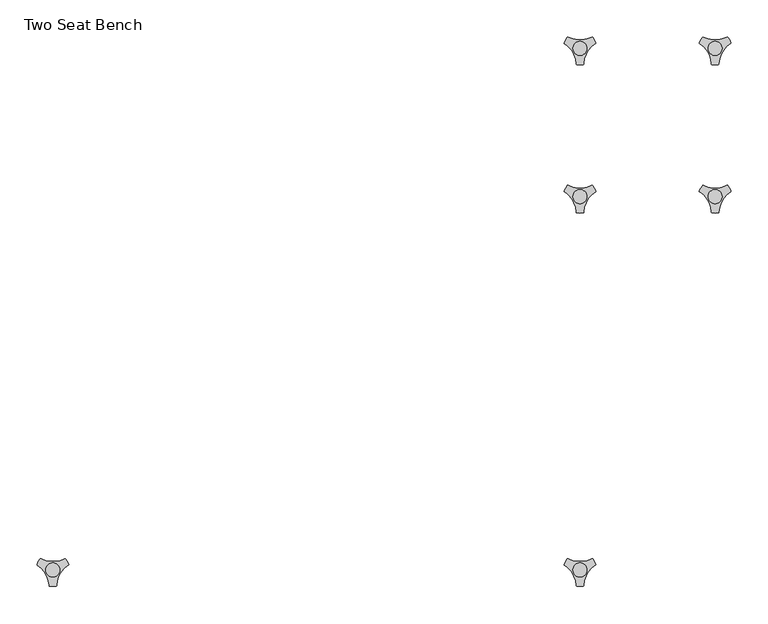
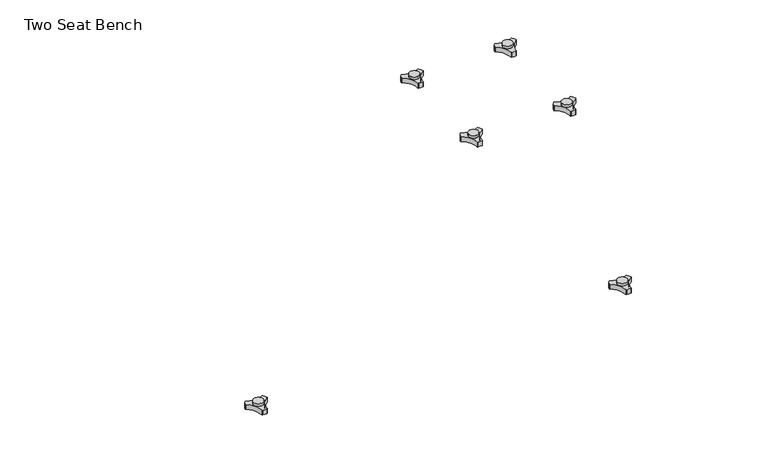
"""IFC4 building model written with IfcOpenShell, lengths in millimetres: furniture geometry, Two Seat Bench."""

from ifc_helpers import new_model, si_unit, frame, origin, place, context, project, spatial, polyline, circle_curve, source, transform, mapped, element, save
from ifc_brep_helpers import plane_surface, cylinder_surface, revolved_surface, advanced_brep


def two_seat_bench_e05f9d58(model_context):
    return source(origin(), model_context, "Body", "AdvancedBrep", [
        advanced_brep(
        [(373.838792, -130.2721038, 98.611642), (369.6162038, -137.585841, 98.611642), (370.0141527, -138.7518724, 98.611642), (385.8334234, -166.1516574, 98.611642), (386.6442569, -167.0792988, 98.611642), (395.0894355, -167.0792988, 98.611642), (395.8939637, -165.9895174, 98.611642), (411.9962168, -138.4877144, 98.611642), (412.1174938, -137.5858427, 98.611642), (407.8949039, -130.2721023, 98.611642), (406.6861204, -130.0337175, 98.611642), (375.047572, -130.0337175, 98.611642), (400.2397227, -145.1926245, 98.611642), (381.3347108, -145.1926245, 98.611642), (373.838792, -130.2721038, 88.6531552), (375.047572, -130.0337175, 88.6531552), (406.6861204, -130.0337175, 88.6531552), (407.8949039, -130.2721023, 88.6531552), (412.1174938, -137.5858427, 88.6531552), (411.9962168, -138.4877144, 88.6531552), (395.8939637, -165.9895174, 88.6531552), (395.0894355, -167.0792988, 88.6531552), (386.6442569, -167.0792988, 88.6531552), (385.8334234, -166.1516574, 88.6531552), (370.0141527, -138.7518724, 88.6531552), (369.6162038, -137.585841, 88.6531552), (381.3347108, -145.1926245, 103.6569541), (400.2397227, -145.1926245, 103.6569541)],
        [
            (0, 1, circle_curve(frame((392.09828, -145.690049, 98.611642), z_axis=(0.0, 0.0, 1.0), x_axis=(1.0, 0.0, 0.0)), 23.8981576)),
            (1, 2, circle_curve(frame((370.5437624, -137.920202, 98.611642), z_axis=(0.0, 0.0, 1.0), x_axis=(1.0, 0.0, 0.0)), 0.9859828)),
            (2, 3, circle_curve(frame((351.6187827, -167.6389644, 98.611642), z_axis=(0.0, 0.0, -1.0), x_axis=(1.0, 0.0, 0.0)), 34.246952)),
            (3, 4, circle_curve(frame((386.8184668, -166.1088376, 98.611642), z_axis=(0.0, 0.0, 1.0), x_axis=(1.0, 0.0, 0.0)), 0.9859736)),
            (4, 5, circle_curve(frame((390.8668462, -143.5567534, 98.611642), z_axis=(0.0, 0.0, 1.0), x_axis=(1.0, 0.0, 0.0)), 23.8985439)),
            (5, 6, circle_curve(frame((394.9152236, -166.1088262, 98.611642), z_axis=(0.0, 0.0, 1.0), x_axis=(1.0, 0.0, 0.0)), 0.9859852)),
            (6, 7, circle_curve(frame((430.1156373, -167.5614211, 98.611642), z_axis=(0.0, 0.0, -1.0), x_axis=(1.0, 0.0, 0.0)), 34.2577557)),
            (7, 8, circle_curve(frame((411.1899324, -137.9202011, 98.611642), z_axis=(0.0, 0.0, 1.0), x_axis=(1.0, 0.0, 0.0)), 0.9859847)),
            (8, 9, circle_curve(frame((389.6358034, -145.6898258, 98.611642), z_axis=(0.0, 0.0, 1.0), x_axis=(1.0, 0.0, 0.0)), 23.8977184)),
            (9, 10, circle_curve(frame((407.1415576, -130.9082171, 98.611642), z_axis=(0.0, 0.0, 1.0), x_axis=(1.0, 0.0, 0.0)), 0.9859881)),
            (10, 11, circle_curve(frame((390.8668462, -99.6586209, 98.611642), z_axis=(0.0, 0.0, -1.0), x_axis=(1.0, 0.0, 0.0)), 34.2475683)),
            (11, 0, circle_curve(frame((374.5921369, -130.9082131, 98.611642), z_axis=(0.0, 0.0, 1.0), x_axis=(1.0, 0.0, 0.0)), 0.9859835)),
            (12, 13, circle_curve(frame((390.7872168, -145.1926245, 98.611642), z_axis=(0.0, 0.0, -1.0), x_axis=(1.0, 0.0, 0.0)), 9.452506)),
            (13, 12, circle_curve(frame((390.7872168, -145.1926245, 98.611642), z_axis=(0.0, 0.0, -1.0), x_axis=(1.0, 0.0, 0.0)), 9.452506)),
            (14, 15, circle_curve(frame((374.5921369, -130.9082131, 88.6531552), z_axis=(0.0, 0.0, -1.0), x_axis=(1.0, 0.0, 0.0)), 0.9859835)),
            (15, 16, circle_curve(frame((390.8668462, -99.6586209, 88.6531552), z_axis=(0.0, 0.0, 1.0), x_axis=(1.0, 0.0, 0.0)), 34.2475683)),
            (16, 17, circle_curve(frame((407.1415576, -130.9082171, 88.6531552), z_axis=(0.0, 0.0, -1.0), x_axis=(1.0, 0.0, 0.0)), 0.9859881)),
            (17, 18, circle_curve(frame((389.6358034, -145.6898258, 88.6531552), z_axis=(0.0, 0.0, -1.0), x_axis=(1.0, 0.0, 0.0)), 23.8977184)),
            (18, 19, circle_curve(frame((411.1899324, -137.9202011, 88.6531552), z_axis=(0.0, 0.0, -1.0), x_axis=(1.0, 0.0, 0.0)), 0.9859847)),
            (19, 20, circle_curve(frame((430.1156373, -167.5614211, 88.6531552), z_axis=(0.0, 0.0, 1.0), x_axis=(1.0, 0.0, 0.0)), 34.2577557)),
            (20, 21, circle_curve(frame((394.9152236, -166.1088262, 88.6531552), z_axis=(0.0, 0.0, -1.0), x_axis=(1.0, 0.0, 0.0)), 0.9859852)),
            (21, 22, circle_curve(frame((390.8668462, -143.5567534, 88.6531552), z_axis=(0.0, 0.0, -1.0), x_axis=(1.0, 0.0, 0.0)), 23.8985439)),
            (22, 23, circle_curve(frame((386.8184668, -166.1088376, 88.6531552), z_axis=(0.0, 0.0, -1.0), x_axis=(1.0, 0.0, 0.0)), 0.9859736)),
            (23, 24, circle_curve(frame((351.6187827, -167.6389644, 88.6531552), z_axis=(0.0, 0.0, 1.0), x_axis=(1.0, 0.0, 0.0)), 34.246952)),
            (24, 25, circle_curve(frame((370.5437624, -137.920202, 88.6531552), z_axis=(0.0, 0.0, -1.0), x_axis=(1.0, 0.0, 0.0)), 0.9859828)),
            (25, 14, circle_curve(frame((392.09828, -145.690049, 88.6531552), z_axis=(0.0, 0.0, -1.0), x_axis=(1.0, 0.0, 0.0)), 23.8981576)),
            (26, 27, circle_curve(frame((390.7872168, -145.1926245, 103.6569541), z_axis=(0.0, 0.0, 1.0), x_axis=(1.0, 0.0, 0.0)), 9.452506)),
            (27, 26, circle_curve(frame((390.7872168, -145.1926245, 103.6569541), z_axis=(0.0, 0.0, 1.0), x_axis=(1.0, 0.0, 0.0)), 9.452506)),
            (0, 14),
            (25, 1),
            (24, 2),
            (23, 3),
            (22, 4),
            (21, 5),
            (20, 6),
            (19, 7),
            (18, 8),
            (17, 9),
            (16, 10),
            (15, 11),
            (26, 13),
            (12, 27),
        ],
        [
            plane_surface(frame((415.9964377, -145.690049, 98.611642), z_axis=(0.0, 0.0, 1.0), x_axis=(0.0, 1.0, 0.0))),
            plane_surface(frame((415.9964377, -145.690049, 88.6531552), z_axis=(0.0, 0.0, -1.0), x_axis=(0.0, -1.0, 0.0))),
            plane_surface(frame((400.2397227, -145.1926245, 103.6569541), z_axis=(0.0, 0.0, 1.0), x_axis=(0.0, 1.0, 0.0))),
            cylinder_surface(frame((392.09828, -145.690049, 88.6531552), z_axis=(0.0, 0.0, 1.0), x_axis=(1.0, 0.0, 0.0)), 23.8981576),
            cylinder_surface(frame((370.5437624, -137.920202, 88.6531552), z_axis=(0.0, 0.0, 1.0), x_axis=(1.0, 0.0, 0.0)), 0.9859828),
            revolved_surface(polyline([(385.8657347, -167.6389644, 88.6531552), (385.8657347, -167.6389644, 98.611642)]), (351.6187827, -167.6389644, 88.6531552), (0.0, 0.0, -1.0)),
            cylinder_surface(frame((386.8184668, -166.1088376, 88.6531552), z_axis=(0.0, 0.0, 1.0), x_axis=(1.0, 0.0, 0.0)), 0.9859736),
            cylinder_surface(frame((390.8668462, -143.5567534, 88.6531552), z_axis=(0.0, 0.0, 1.0), x_axis=(1.0, 0.0, 0.0)), 23.8985439),
            cylinder_surface(frame((394.9152236, -166.1088262, 88.6531552), z_axis=(0.0, 0.0, 1.0), x_axis=(1.0, 0.0, 0.0)), 0.9859852),
            revolved_surface(polyline([(464.373393, -167.5614211, 88.6531552), (464.373393, -167.5614211, 98.611642)]), (430.1156373, -167.5614211, 88.6531552), (0.0, 0.0, -1.0)),
            cylinder_surface(frame((411.1899324, -137.9202011, 88.6531552), z_axis=(0.0, 0.0, 1.0), x_axis=(1.0, 0.0, 0.0)), 0.9859847),
            cylinder_surface(frame((389.6358034, -145.6898258, 88.6531552), z_axis=(0.0, 0.0, 1.0), x_axis=(1.0, 0.0, 0.0)), 23.8977184),
            cylinder_surface(frame((407.1415576, -130.9082171, 88.6531552), z_axis=(0.0, 0.0, 1.0), x_axis=(1.0, 0.0, 0.0)), 0.9859881),
            revolved_surface(polyline([(425.1144145, -99.6586209, 88.6531552), (425.1144145, -99.6586209, 98.611642)]), (390.8668462, -99.6586209, 88.6531552), (0.0, 0.0, -1.0)),
            cylinder_surface(frame((374.5921369, -130.9082131, 88.6531552), z_axis=(0.0, 0.0, 1.0), x_axis=(1.0, 0.0, 0.0)), 0.9859835),
            cylinder_surface(frame((390.7872168, -145.1926245, 98.611642), z_axis=(0.0, 0.0, 1.0), x_axis=(1.0, 0.0, 0.0)), 9.452506),
        ],
        [
            (0, [[1, 2, 3, 4, 5, 6, 7, 8, 9, 10, 11, 12], [13, 14]]),
            (1, [[15, 16, 17, 18, 19, 20, 21, 22, 23, 24, 25, 26]]),
            (2, [[27, 28]]),
            (3, [[-1, 29, -26, 30]]),
            (4, [[-2, -30, -25, 31]]),
            (5, [[-3, -31, -24, 32]]),
            (6, [[-4, -32, -23, 33]]),
            (7, [[-5, -33, -22, 34]]),
            (8, [[-6, -34, -21, 35]]),
            (9, [[-7, -35, -20, 36]]),
            (10, [[-8, -36, -19, 37]]),
            (11, [[-9, -37, -18, 38]]),
            (12, [[-10, -38, -17, 39]]),
            (13, [[-11, -39, -16, 40]]),
            (14, [[-12, -40, -15, -29]]),
            (15, [[-27, 41, -13, 42]]),
            (15, [[-28, -42, -14, -41]]),
        ],
    ),
        advanced_brep(
        [(373.838792, 69.7278978, 98.611642), (369.6162038, 62.4141605, 98.611642), (370.0141527, 61.2481292, 98.611642), (385.8334234, 33.8483441, 98.611642), (386.6442569, 32.9207027, 98.611642), (395.0894355, 32.9207027, 98.611642), (395.8939637, 34.0104841, 98.611642), (411.9962168, 61.5122871, 98.611642), (412.1174938, 62.4141588, 98.611642), (407.8949039, 69.7278992, 98.611642), (406.6861204, 69.966284, 98.611642), (375.047572, 69.966284, 98.611642), (400.2397227, 54.807377, 98.611642), (381.3347108, 54.807377, 98.611642), (373.838792, 69.7278978, 88.6531552), (375.047572, 69.966284, 88.6531552), (406.6861204, 69.966284, 88.6531552), (407.8949039, 69.7278992, 88.6531552), (412.1174938, 62.4141588, 88.6531552), (411.9962168, 61.5122871, 88.6531552), (395.8939637, 34.0104841, 88.6531552), (395.0894355, 32.9207027, 88.6531552), (386.6442569, 32.9207027, 88.6531552), (385.8334234, 33.8483441, 88.6531552), (370.0141527, 61.2481292, 88.6531552), (369.6162038, 62.4141605, 88.6531552), (381.3347108, 54.807377, 103.6569541), (400.2397227, 54.807377, 103.6569541)],
        [
            (0, 1, circle_curve(frame((392.09828, 54.3099526, 98.611642), z_axis=(0.0, 0.0, 1.0), x_axis=(1.0, 0.0, 0.0)), 23.8981576)),
            (1, 2, circle_curve(frame((370.5437624, 62.0797996, 98.611642), z_axis=(0.0, 0.0, 1.0), x_axis=(1.0, 0.0, 0.0)), 0.9859828)),
            (2, 3, circle_curve(frame((351.6187827, 32.3610372, 98.611642), z_axis=(0.0, 0.0, -1.0), x_axis=(1.0, 0.0, 0.0)), 34.246952)),
            (3, 4, circle_curve(frame((386.8184668, 33.8911639, 98.611642), z_axis=(0.0, 0.0, 1.0), x_axis=(1.0, 0.0, 0.0)), 0.9859736)),
            (4, 5, circle_curve(frame((390.8668462, 56.4432481, 98.611642), z_axis=(0.0, 0.0, 1.0), x_axis=(1.0, 0.0, 0.0)), 23.8985439)),
            (5, 6, circle_curve(frame((394.9152236, 33.8911753, 98.611642), z_axis=(0.0, 0.0, 1.0), x_axis=(1.0, 0.0, 0.0)), 0.9859852)),
            (6, 7, circle_curve(frame((430.1156373, 32.4385804, 98.611642), z_axis=(0.0, 0.0, -1.0), x_axis=(1.0, 0.0, 0.0)), 34.2577557)),
            (7, 8, circle_curve(frame((411.1899324, 62.0798004, 98.611642), z_axis=(0.0, 0.0, 1.0), x_axis=(1.0, 0.0, 0.0)), 0.9859847)),
            (8, 9, circle_curve(frame((389.6358034, 54.3101757, 98.611642), z_axis=(0.0, 0.0, 1.0), x_axis=(1.0, 0.0, 0.0)), 23.8977184)),
            (9, 10, circle_curve(frame((407.1415576, 69.0917844, 98.611642), z_axis=(0.0, 0.0, 1.0), x_axis=(1.0, 0.0, 0.0)), 0.9859881)),
            (10, 11, circle_curve(frame((390.8668462, 100.3413806, 98.611642), z_axis=(0.0, 0.0, -1.0), x_axis=(1.0, 0.0, 0.0)), 34.2475683)),
            (11, 0, circle_curve(frame((374.5921369, 69.0917885, 98.611642), z_axis=(0.0, 0.0, 1.0), x_axis=(1.0, 0.0, 0.0)), 0.9859835)),
            (12, 13, circle_curve(frame((390.7872168, 54.807377, 98.611642), z_axis=(0.0, 0.0, -1.0), x_axis=(1.0, 0.0, 0.0)), 9.452506)),
            (13, 12, circle_curve(frame((390.7872168, 54.807377, 98.611642), z_axis=(0.0, 0.0, -1.0), x_axis=(1.0, 0.0, 0.0)), 9.452506)),
            (14, 15, circle_curve(frame((374.5921369, 69.0917885, 88.6531552), z_axis=(0.0, 0.0, -1.0), x_axis=(1.0, 0.0, 0.0)), 0.9859835)),
            (15, 16, circle_curve(frame((390.8668462, 100.3413806, 88.6531552), z_axis=(0.0, 0.0, 1.0), x_axis=(1.0, 0.0, 0.0)), 34.2475683)),
            (16, 17, circle_curve(frame((407.1415576, 69.0917844, 88.6531552), z_axis=(0.0, 0.0, -1.0), x_axis=(1.0, 0.0, 0.0)), 0.9859881)),
            (17, 18, circle_curve(frame((389.6358034, 54.3101757, 88.6531552), z_axis=(0.0, 0.0, -1.0), x_axis=(1.0, 0.0, 0.0)), 23.8977184)),
            (18, 19, circle_curve(frame((411.1899324, 62.0798004, 88.6531552), z_axis=(0.0, 0.0, -1.0), x_axis=(1.0, 0.0, 0.0)), 0.9859847)),
            (19, 20, circle_curve(frame((430.1156373, 32.4385804, 88.6531552), z_axis=(0.0, 0.0, 1.0), x_axis=(1.0, 0.0, 0.0)), 34.2577557)),
            (20, 21, circle_curve(frame((394.9152236, 33.8911753, 88.6531552), z_axis=(0.0, 0.0, -1.0), x_axis=(1.0, 0.0, 0.0)), 0.9859852)),
            (21, 22, circle_curve(frame((390.8668462, 56.4432481, 88.6531552), z_axis=(0.0, 0.0, -1.0), x_axis=(1.0, 0.0, 0.0)), 23.8985439)),
            (22, 23, circle_curve(frame((386.8184668, 33.8911639, 88.6531552), z_axis=(0.0, 0.0, -1.0), x_axis=(1.0, 0.0, 0.0)), 0.9859736)),
            (23, 24, circle_curve(frame((351.6187827, 32.3610372, 88.6531552), z_axis=(0.0, 0.0, 1.0), x_axis=(1.0, 0.0, 0.0)), 34.246952)),
            (24, 25, circle_curve(frame((370.5437624, 62.0797996, 88.6531552), z_axis=(0.0, 0.0, -1.0), x_axis=(1.0, 0.0, 0.0)), 0.9859828)),
            (25, 14, circle_curve(frame((392.09828, 54.3099526, 88.6531552), z_axis=(0.0, 0.0, -1.0), x_axis=(1.0, 0.0, 0.0)), 23.8981576)),
            (26, 27, circle_curve(frame((390.7872168, 54.807377, 103.6569541), z_axis=(0.0, 0.0, 1.0), x_axis=(1.0, 0.0, 0.0)), 9.452506)),
            (27, 26, circle_curve(frame((390.7872168, 54.807377, 103.6569541), z_axis=(0.0, 0.0, 1.0), x_axis=(1.0, 0.0, 0.0)), 9.452506)),
            (0, 14),
            (25, 1),
            (24, 2),
            (23, 3),
            (22, 4),
            (21, 5),
            (20, 6),
            (19, 7),
            (18, 8),
            (17, 9),
            (16, 10),
            (15, 11),
            (26, 13),
            (12, 27),
        ],
        [
            plane_surface(frame((415.9964377, 54.3099526, 98.611642), z_axis=(0.0, 0.0, 1.0), x_axis=(0.0, 1.0, 0.0))),
            plane_surface(frame((415.9964377, 54.3099526, 88.6531552), z_axis=(0.0, 0.0, -1.0), x_axis=(0.0, -1.0, 0.0))),
            plane_surface(frame((400.2397227, 54.807377, 103.6569541), z_axis=(0.0, 0.0, 1.0), x_axis=(0.0, 1.0, 0.0))),
            cylinder_surface(frame((392.09828, 54.3099526, 88.6531552), z_axis=(0.0, 0.0, 1.0), x_axis=(1.0, 0.0, 0.0)), 23.8981576),
            cylinder_surface(frame((370.5437624, 62.0797996, 88.6531552), z_axis=(0.0, 0.0, 1.0), x_axis=(1.0, 0.0, 0.0)), 0.9859828),
            revolved_surface(polyline([(385.8657347, 32.3610372, 88.6531552), (385.8657347, 32.3610372, 98.611642)]), (351.6187827, 32.3610372, 88.6531552), (0.0, 0.0, -1.0)),
            cylinder_surface(frame((386.8184668, 33.8911639, 88.6531552), z_axis=(0.0, 0.0, 1.0), x_axis=(1.0, 0.0, 0.0)), 0.9859736),
            cylinder_surface(frame((390.8668462, 56.4432481, 88.6531552), z_axis=(0.0, 0.0, 1.0), x_axis=(1.0, 0.0, 0.0)), 23.8985439),
            cylinder_surface(frame((394.9152236, 33.8911753, 88.6531552), z_axis=(0.0, 0.0, 1.0), x_axis=(1.0, 0.0, 0.0)), 0.9859852),
            revolved_surface(polyline([(464.373393, 32.4385804, 88.6531552), (464.373393, 32.4385804, 98.611642)]), (430.1156373, 32.4385804, 88.6531552), (0.0, 0.0, -1.0)),
            cylinder_surface(frame((411.1899324, 62.0798004, 88.6531552), z_axis=(0.0, 0.0, 1.0), x_axis=(1.0, 0.0, 0.0)), 0.9859847),
            cylinder_surface(frame((389.6358034, 54.3101757, 88.6531552), z_axis=(0.0, 0.0, 1.0), x_axis=(1.0, 0.0, 0.0)), 23.8977184),
            cylinder_surface(frame((407.1415576, 69.0917844, 88.6531552), z_axis=(0.0, 0.0, 1.0), x_axis=(1.0, 0.0, 0.0)), 0.9859881),
            revolved_surface(polyline([(425.1144145, 100.3413806, 88.6531552), (425.1144145, 100.3413806, 98.611642)]), (390.8668462, 100.3413806, 88.6531552), (0.0, 0.0, -1.0)),
            cylinder_surface(frame((374.5921369, 69.0917885, 88.6531552), z_axis=(0.0, 0.0, 1.0), x_axis=(1.0, 0.0, 0.0)), 0.9859835),
            cylinder_surface(frame((390.7872168, 54.807377, 98.611642), z_axis=(0.0, 0.0, 1.0), x_axis=(1.0, 0.0, 0.0)), 9.452506),
        ],
        [
            (0, [[1, 2, 3, 4, 5, 6, 7, 8, 9, 10, 11, 12], [13, 14]]),
            (1, [[15, 16, 17, 18, 19, 20, 21, 22, 23, 24, 25, 26]]),
            (2, [[27, 28]]),
            (3, [[-1, 29, -26, 30]]),
            (4, [[-2, -30, -25, 31]]),
            (5, [[-3, -31, -24, 32]]),
            (6, [[-4, -32, -23, 33]]),
            (7, [[-5, -33, -22, 34]]),
            (8, [[-6, -34, -21, 35]]),
            (9, [[-7, -35, -20, 36]]),
            (10, [[-8, -36, -19, 37]]),
            (11, [[-9, -37, -18, 38]]),
            (12, [[-10, -38, -17, 39]]),
            (13, [[-11, -39, -16, 40]]),
            (14, [[-12, -40, -15, -29]]),
            (15, [[-27, 41, -13, 42]]),
            (15, [[-28, -42, -14, -41]]),
        ],
    ),
        advanced_brep(
        [(191.4388063, 69.7278978, 98.611642), (187.2162181, 62.4141605, 98.611642), (187.614167, 61.2481292, 98.611642), (203.4334377, 33.8483441, 98.611642), (204.2442712, 32.9207027, 98.611642), (212.6894498, 32.9207027, 98.611642), (213.493978, 34.0104841, 98.611642), (229.5962311, 61.5122871, 98.611642), (229.7175081, 62.4141588, 98.611642), (225.4949182, 69.7278992, 98.611642), (224.2861347, 69.966284, 98.611642), (192.6475863, 69.966284, 98.611642), (217.839737, 54.807377, 98.611642), (198.9347251, 54.807377, 98.611642), (191.4388063, 69.7278978, 88.6531552), (192.6475863, 69.966284, 88.6531552), (224.2861347, 69.966284, 88.6531552), (225.4949182, 69.7278992, 88.6531552), (229.7175081, 62.4141588, 88.6531552), (229.5962311, 61.5122871, 88.6531552), (213.493978, 34.0104841, 88.6531552), (212.6894498, 32.9207027, 88.6531552), (204.2442712, 32.9207027, 88.6531552), (203.4334377, 33.8483441, 88.6531552), (187.614167, 61.2481292, 88.6531552), (187.2162181, 62.4141605, 88.6531552), (198.9347251, 54.807377, 103.6569541), (217.839737, 54.807377, 103.6569541)],
        [
            (0, 1, circle_curve(frame((209.6982944, 54.3099526, 98.611642), z_axis=(0.0, 0.0, 1.0), x_axis=(1.0, 0.0, 0.0)), 23.8981576)),
            (1, 2, circle_curve(frame((188.1437767, 62.0797996, 98.611642), z_axis=(0.0, 0.0, 1.0), x_axis=(1.0, 0.0, 0.0)), 0.9859828)),
            (2, 3, circle_curve(frame((169.218797, 32.3610372, 98.611642), z_axis=(0.0, 0.0, -1.0), x_axis=(1.0, 0.0, 0.0)), 34.246952)),
            (3, 4, circle_curve(frame((204.4184811, 33.8911639, 98.611642), z_axis=(0.0, 0.0, 1.0), x_axis=(1.0, 0.0, 0.0)), 0.9859736)),
            (4, 5, circle_curve(frame((208.4668605, 56.4432481, 98.611642), z_axis=(0.0, 0.0, 1.0), x_axis=(1.0, 0.0, 0.0)), 23.8985439)),
            (5, 6, circle_curve(frame((212.5152379, 33.8911753, 98.611642), z_axis=(0.0, 0.0, 1.0), x_axis=(1.0, 0.0, 0.0)), 0.9859852)),
            (6, 7, circle_curve(frame((247.7156517, 32.4385804, 98.611642), z_axis=(0.0, 0.0, -1.0), x_axis=(1.0, 0.0, 0.0)), 34.2577557)),
            (7, 8, circle_curve(frame((228.7899467, 62.0798004, 98.611642), z_axis=(0.0, 0.0, 1.0), x_axis=(1.0, 0.0, 0.0)), 0.9859847)),
            (8, 9, circle_curve(frame((207.2358178, 54.3101757, 98.611642), z_axis=(0.0, 0.0, 1.0), x_axis=(1.0, 0.0, 0.0)), 23.8977184)),
            (9, 10, circle_curve(frame((224.7415719, 69.0917844, 98.611642), z_axis=(0.0, 0.0, 1.0), x_axis=(1.0, 0.0, 0.0)), 0.9859881)),
            (10, 11, circle_curve(frame((208.4668605, 100.3413806, 98.611642), z_axis=(0.0, 0.0, -1.0), x_axis=(1.0, 0.0, 0.0)), 34.2475683)),
            (11, 0, circle_curve(frame((192.1921512, 69.0917885, 98.611642), z_axis=(0.0, 0.0, 1.0), x_axis=(1.0, 0.0, 0.0)), 0.9859835)),
            (12, 13, circle_curve(frame((208.3872311, 54.807377, 98.611642), z_axis=(0.0, 0.0, -1.0), x_axis=(1.0, 0.0, 0.0)), 9.452506)),
            (13, 12, circle_curve(frame((208.3872311, 54.807377, 98.611642), z_axis=(0.0, 0.0, -1.0), x_axis=(1.0, 0.0, 0.0)), 9.452506)),
            (14, 15, circle_curve(frame((192.1921512, 69.0917885, 88.6531552), z_axis=(0.0, 0.0, -1.0), x_axis=(1.0, 0.0, 0.0)), 0.9859835)),
            (15, 16, circle_curve(frame((208.4668605, 100.3413806, 88.6531552), z_axis=(0.0, 0.0, 1.0), x_axis=(1.0, 0.0, 0.0)), 34.2475683)),
            (16, 17, circle_curve(frame((224.7415719, 69.0917844, 88.6531552), z_axis=(0.0, 0.0, -1.0), x_axis=(1.0, 0.0, 0.0)), 0.9859881)),
            (17, 18, circle_curve(frame((207.2358178, 54.3101757, 88.6531552), z_axis=(0.0, 0.0, -1.0), x_axis=(1.0, 0.0, 0.0)), 23.8977184)),
            (18, 19, circle_curve(frame((228.7899467, 62.0798004, 88.6531552), z_axis=(0.0, 0.0, -1.0), x_axis=(1.0, 0.0, 0.0)), 0.9859847)),
            (19, 20, circle_curve(frame((247.7156517, 32.4385804, 88.6531552), z_axis=(0.0, 0.0, 1.0), x_axis=(1.0, 0.0, 0.0)), 34.2577557)),
            (20, 21, circle_curve(frame((212.5152379, 33.8911753, 88.6531552), z_axis=(0.0, 0.0, -1.0), x_axis=(1.0, 0.0, 0.0)), 0.9859852)),
            (21, 22, circle_curve(frame((208.4668605, 56.4432481, 88.6531552), z_axis=(0.0, 0.0, -1.0), x_axis=(1.0, 0.0, 0.0)), 23.8985439)),
            (22, 23, circle_curve(frame((204.4184811, 33.8911639, 88.6531552), z_axis=(0.0, 0.0, -1.0), x_axis=(1.0, 0.0, 0.0)), 0.9859736)),
            (23, 24, circle_curve(frame((169.218797, 32.3610372, 88.6531552), z_axis=(0.0, 0.0, 1.0), x_axis=(1.0, 0.0, 0.0)), 34.246952)),
            (24, 25, circle_curve(frame((188.1437767, 62.0797996, 88.6531552), z_axis=(0.0, 0.0, -1.0), x_axis=(1.0, 0.0, 0.0)), 0.9859828)),
            (25, 14, circle_curve(frame((209.6982944, 54.3099526, 88.6531552), z_axis=(0.0, 0.0, -1.0), x_axis=(1.0, 0.0, 0.0)), 23.8981576)),
            (26, 27, circle_curve(frame((208.3872311, 54.807377, 103.6569541), z_axis=(0.0, 0.0, 1.0), x_axis=(1.0, 0.0, 0.0)), 9.452506)),
            (27, 26, circle_curve(frame((208.3872311, 54.807377, 103.6569541), z_axis=(0.0, 0.0, 1.0), x_axis=(1.0, 0.0, 0.0)), 9.452506)),
            (0, 14),
            (25, 1),
            (24, 2),
            (23, 3),
            (22, 4),
            (21, 5),
            (20, 6),
            (19, 7),
            (18, 8),
            (17, 9),
            (16, 10),
            (15, 11),
            (26, 13),
            (12, 27),
        ],
        [
            plane_surface(frame((233.596452, 54.3099526, 98.611642), z_axis=(0.0, 0.0, 1.0), x_axis=(0.0, 1.0, 0.0))),
            plane_surface(frame((233.596452, 54.3099526, 88.6531552), z_axis=(0.0, 0.0, -1.0), x_axis=(0.0, -1.0, 0.0))),
            plane_surface(frame((217.839737, 54.807377, 103.6569541), z_axis=(0.0, 0.0, 1.0), x_axis=(0.0, 1.0, 0.0))),
            cylinder_surface(frame((209.6982944, 54.3099526, 88.6531552), z_axis=(0.0, 0.0, 1.0), x_axis=(1.0, 0.0, 0.0)), 23.8981576),
            cylinder_surface(frame((188.1437767, 62.0797996, 88.6531552), z_axis=(0.0, 0.0, 1.0), x_axis=(1.0, 0.0, 0.0)), 0.9859828),
            revolved_surface(polyline([(203.465749, 32.3610372, 88.6531552), (203.465749, 32.3610372, 98.611642)]), (169.218797, 32.3610372, 88.6531552), (0.0, 0.0, -1.0)),
            cylinder_surface(frame((204.4184811, 33.8911639, 88.6531552), z_axis=(0.0, 0.0, 1.0), x_axis=(1.0, 0.0, 0.0)), 0.9859736),
            cylinder_surface(frame((208.4668605, 56.4432481, 88.6531552), z_axis=(0.0, 0.0, 1.0), x_axis=(1.0, 0.0, 0.0)), 23.8985439),
            cylinder_surface(frame((212.5152379, 33.8911753, 88.6531552), z_axis=(0.0, 0.0, 1.0), x_axis=(1.0, 0.0, 0.0)), 0.9859852),
            revolved_surface(polyline([(281.9734074, 32.4385804, 88.6531552), (281.9734074, 32.4385804, 98.611642)]), (247.7156517, 32.4385804, 88.6531552), (0.0, 0.0, -1.0)),
            cylinder_surface(frame((228.7899467, 62.0798004, 88.6531552), z_axis=(0.0, 0.0, 1.0), x_axis=(1.0, 0.0, 0.0)), 0.9859847),
            cylinder_surface(frame((207.2358178, 54.3101757, 88.6531552), z_axis=(0.0, 0.0, 1.0), x_axis=(1.0, 0.0, 0.0)), 23.8977184),
            cylinder_surface(frame((224.7415719, 69.0917844, 88.6531552), z_axis=(0.0, 0.0, 1.0), x_axis=(1.0, 0.0, 0.0)), 0.9859881),
            revolved_surface(polyline([(242.7144288, 100.3413806, 88.6531552), (242.7144288, 100.3413806, 98.611642)]), (208.4668605, 100.3413806, 88.6531552), (0.0, 0.0, -1.0)),
            cylinder_surface(frame((192.1921512, 69.0917885, 88.6531552), z_axis=(0.0, 0.0, 1.0), x_axis=(1.0, 0.0, 0.0)), 0.9859835),
            cylinder_surface(frame((208.3872311, 54.807377, 98.611642), z_axis=(0.0, 0.0, 1.0), x_axis=(1.0, 0.0, 0.0)), 9.452506),
        ],
        [
            (0, [[1, 2, 3, 4, 5, 6, 7, 8, 9, 10, 11, 12], [13, 14]]),
            (1, [[15, 16, 17, 18, 19, 20, 21, 22, 23, 24, 25, 26]]),
            (2, [[27, 28]]),
            (3, [[-1, 29, -26, 30]]),
            (4, [[-2, -30, -25, 31]]),
            (5, [[-3, -31, -24, 32]]),
            (6, [[-4, -32, -23, 33]]),
            (7, [[-5, -33, -22, 34]]),
            (8, [[-6, -34, -21, 35]]),
            (9, [[-7, -35, -20, 36]]),
            (10, [[-8, -36, -19, 37]]),
            (11, [[-9, -37, -18, 38]]),
            (12, [[-10, -38, -17, 39]]),
            (13, [[-11, -39, -16, 40]]),
            (14, [[-12, -40, -15, -29]]),
            (15, [[-27, 41, -13, 42]]),
            (15, [[-28, -42, -14, -41]]),
        ],
    ),
        advanced_brep(
        [(191.4388063, -130.2721038, 98.611642), (187.2162181, -137.585841, 98.611642), (187.614167, -138.7518724, 98.611642), (203.4334377, -166.1516574, 98.611642), (204.2442712, -167.0792988, 98.611642), (212.6894498, -167.0792988, 98.611642), (213.493978, -165.9895174, 98.611642), (229.5962311, -138.4877144, 98.611642), (229.7175081, -137.5858427, 98.611642), (225.4949182, -130.2721023, 98.611642), (224.2861347, -130.0337175, 98.611642), (192.6475863, -130.0337175, 98.611642), (217.839737, -145.1926245, 98.611642), (198.9347251, -145.1926245, 98.611642), (191.4388063, -130.2721038, 88.6531552), (192.6475863, -130.0337175, 88.6531552), (224.2861347, -130.0337175, 88.6531552), (225.4949182, -130.2721023, 88.6531552), (229.7175081, -137.5858427, 88.6531552), (229.5962311, -138.4877144, 88.6531552), (213.493978, -165.9895174, 88.6531552), (212.6894498, -167.0792988, 88.6531552), (204.2442712, -167.0792988, 88.6531552), (203.4334377, -166.1516574, 88.6531552), (187.614167, -138.7518724, 88.6531552), (187.2162181, -137.585841, 88.6531552), (198.9347251, -145.1926245, 103.6569541), (217.839737, -145.1926245, 103.6569541)],
        [
            (0, 1, circle_curve(frame((209.6982944, -145.690049, 98.611642), z_axis=(0.0, 0.0, 1.0), x_axis=(1.0, 0.0, 0.0)), 23.8981576)),
            (1, 2, circle_curve(frame((188.1437767, -137.920202, 98.611642), z_axis=(0.0, 0.0, 1.0), x_axis=(1.0, 0.0, 0.0)), 0.9859828)),
            (2, 3, circle_curve(frame((169.218797, -167.6389644, 98.611642), z_axis=(0.0, 0.0, -1.0), x_axis=(1.0, 0.0, 0.0)), 34.246952)),
            (3, 4, circle_curve(frame((204.4184811, -166.1088376, 98.611642), z_axis=(0.0, 0.0, 1.0), x_axis=(1.0, 0.0, 0.0)), 0.9859736)),
            (4, 5, circle_curve(frame((208.4668605, -143.5567534, 98.611642), z_axis=(0.0, 0.0, 1.0), x_axis=(1.0, 0.0, 0.0)), 23.8985439)),
            (5, 6, circle_curve(frame((212.5152379, -166.1088262, 98.611642), z_axis=(0.0, 0.0, 1.0), x_axis=(1.0, 0.0, 0.0)), 0.9859852)),
            (6, 7, circle_curve(frame((247.7156517, -167.5614211, 98.611642), z_axis=(0.0, 0.0, -1.0), x_axis=(1.0, 0.0, 0.0)), 34.2577557)),
            (7, 8, circle_curve(frame((228.7899467, -137.9202011, 98.611642), z_axis=(0.0, 0.0, 1.0), x_axis=(1.0, 0.0, 0.0)), 0.9859847)),
            (8, 9, circle_curve(frame((207.2358178, -145.6898258, 98.611642), z_axis=(0.0, 0.0, 1.0), x_axis=(1.0, 0.0, 0.0)), 23.8977184)),
            (9, 10, circle_curve(frame((224.7415719, -130.9082171, 98.611642), z_axis=(0.0, 0.0, 1.0), x_axis=(1.0, 0.0, 0.0)), 0.9859881)),
            (10, 11, circle_curve(frame((208.4668605, -99.6586209, 98.611642), z_axis=(0.0, 0.0, -1.0), x_axis=(1.0, 0.0, 0.0)), 34.2475683)),
            (11, 0, circle_curve(frame((192.1921512, -130.9082131, 98.611642), z_axis=(0.0, 0.0, 1.0), x_axis=(1.0, 0.0, 0.0)), 0.9859835)),
            (12, 13, circle_curve(frame((208.3872311, -145.1926245, 98.611642), z_axis=(0.0, 0.0, -1.0), x_axis=(1.0, 0.0, 0.0)), 9.452506)),
            (13, 12, circle_curve(frame((208.3872311, -145.1926245, 98.611642), z_axis=(0.0, 0.0, -1.0), x_axis=(1.0, 0.0, 0.0)), 9.452506)),
            (14, 15, circle_curve(frame((192.1921512, -130.9082131, 88.6531552), z_axis=(0.0, 0.0, -1.0), x_axis=(1.0, 0.0, 0.0)), 0.9859835)),
            (15, 16, circle_curve(frame((208.4668605, -99.6586209, 88.6531552), z_axis=(0.0, 0.0, 1.0), x_axis=(1.0, 0.0, 0.0)), 34.2475683)),
            (16, 17, circle_curve(frame((224.7415719, -130.9082171, 88.6531552), z_axis=(0.0, 0.0, -1.0), x_axis=(1.0, 0.0, 0.0)), 0.9859881)),
            (17, 18, circle_curve(frame((207.2358178, -145.6898258, 88.6531552), z_axis=(0.0, 0.0, -1.0), x_axis=(1.0, 0.0, 0.0)), 23.8977184)),
            (18, 19, circle_curve(frame((228.7899467, -137.9202011, 88.6531552), z_axis=(0.0, 0.0, -1.0), x_axis=(1.0, 0.0, 0.0)), 0.9859847)),
            (19, 20, circle_curve(frame((247.7156517, -167.5614211, 88.6531552), z_axis=(0.0, 0.0, 1.0), x_axis=(1.0, 0.0, 0.0)), 34.2577557)),
            (20, 21, circle_curve(frame((212.5152379, -166.1088262, 88.6531552), z_axis=(0.0, 0.0, -1.0), x_axis=(1.0, 0.0, 0.0)), 0.9859852)),
            (21, 22, circle_curve(frame((208.4668605, -143.5567534, 88.6531552), z_axis=(0.0, 0.0, -1.0), x_axis=(1.0, 0.0, 0.0)), 23.8985439)),
            (22, 23, circle_curve(frame((204.4184811, -166.1088376, 88.6531552), z_axis=(0.0, 0.0, -1.0), x_axis=(1.0, 0.0, 0.0)), 0.9859736)),
            (23, 24, circle_curve(frame((169.218797, -167.6389644, 88.6531552), z_axis=(0.0, 0.0, 1.0), x_axis=(1.0, 0.0, 0.0)), 34.246952)),
            (24, 25, circle_curve(frame((188.1437767, -137.920202, 88.6531552), z_axis=(0.0, 0.0, -1.0), x_axis=(1.0, 0.0, 0.0)), 0.9859828)),
            (25, 14, circle_curve(frame((209.6982944, -145.690049, 88.6531552), z_axis=(0.0, 0.0, -1.0), x_axis=(1.0, 0.0, 0.0)), 23.8981576)),
            (26, 27, circle_curve(frame((208.3872311, -145.1926245, 103.6569541), z_axis=(0.0, 0.0, 1.0), x_axis=(1.0, 0.0, 0.0)), 9.452506)),
            (27, 26, circle_curve(frame((208.3872311, -145.1926245, 103.6569541), z_axis=(0.0, 0.0, 1.0), x_axis=(1.0, 0.0, 0.0)), 9.452506)),
            (0, 14),
            (25, 1),
            (24, 2),
            (23, 3),
            (22, 4),
            (21, 5),
            (20, 6),
            (19, 7),
            (18, 8),
            (17, 9),
            (16, 10),
            (15, 11),
            (26, 13),
            (12, 27),
        ],
        [
            plane_surface(frame((233.596452, -145.690049, 98.611642), z_axis=(0.0, 0.0, 1.0), x_axis=(0.0, 1.0, 0.0))),
            plane_surface(frame((233.596452, -145.690049, 88.6531552), z_axis=(0.0, 0.0, -1.0), x_axis=(0.0, -1.0, 0.0))),
            plane_surface(frame((217.839737, -145.1926245, 103.6569541), z_axis=(0.0, 0.0, 1.0), x_axis=(0.0, 1.0, 0.0))),
            cylinder_surface(frame((209.6982944, -145.690049, 88.6531552), z_axis=(0.0, 0.0, 1.0), x_axis=(1.0, 0.0, 0.0)), 23.8981576),
            cylinder_surface(frame((188.1437767, -137.920202, 88.6531552), z_axis=(0.0, 0.0, 1.0), x_axis=(1.0, 0.0, 0.0)), 0.9859828),
            revolved_surface(polyline([(203.465749, -167.6389644, 88.6531552), (203.465749, -167.6389644, 98.611642)]), (169.218797, -167.6389644, 88.6531552), (0.0, 0.0, -1.0)),
            cylinder_surface(frame((204.4184811, -166.1088376, 88.6531552), z_axis=(0.0, 0.0, 1.0), x_axis=(1.0, 0.0, 0.0)), 0.9859736),
            cylinder_surface(frame((208.4668605, -143.5567534, 88.6531552), z_axis=(0.0, 0.0, 1.0), x_axis=(1.0, 0.0, 0.0)), 23.8985439),
            cylinder_surface(frame((212.5152379, -166.1088262, 88.6531552), z_axis=(0.0, 0.0, 1.0), x_axis=(1.0, 0.0, 0.0)), 0.9859852),
            revolved_surface(polyline([(281.9734074, -167.5614211, 88.6531552), (281.9734074, -167.5614211, 98.611642)]), (247.7156517, -167.5614211, 88.6531552), (0.0, 0.0, -1.0)),
            cylinder_surface(frame((228.7899467, -137.9202011, 88.6531552), z_axis=(0.0, 0.0, 1.0), x_axis=(1.0, 0.0, 0.0)), 0.9859847),
            cylinder_surface(frame((207.2358178, -145.6898258, 88.6531552), z_axis=(0.0, 0.0, 1.0), x_axis=(1.0, 0.0, 0.0)), 23.8977184),
            cylinder_surface(frame((224.7415719, -130.9082171, 88.6531552), z_axis=(0.0, 0.0, 1.0), x_axis=(1.0, 0.0, 0.0)), 0.9859881),
            revolved_surface(polyline([(242.7144288, -99.6586209, 88.6531552), (242.7144288, -99.6586209, 98.611642)]), (208.4668605, -99.6586209, 88.6531552), (0.0, 0.0, -1.0)),
            cylinder_surface(frame((192.1921512, -130.9082131, 88.6531552), z_axis=(0.0, 0.0, 1.0), x_axis=(1.0, 0.0, 0.0)), 0.9859835),
            cylinder_surface(frame((208.3872311, -145.1926245, 98.611642), z_axis=(0.0, 0.0, 1.0), x_axis=(1.0, 0.0, 0.0)), 9.452506),
        ],
        [
            (0, [[1, 2, 3, 4, 5, 6, 7, 8, 9, 10, 11, 12], [13, 14]]),
            (1, [[15, 16, 17, 18, 19, 20, 21, 22, 23, 24, 25, 26]]),
            (2, [[27, 28]]),
            (3, [[-1, 29, -26, 30]]),
            (4, [[-2, -30, -25, 31]]),
            (5, [[-3, -31, -24, 32]]),
            (6, [[-4, -32, -23, 33]]),
            (7, [[-5, -33, -22, 34]]),
            (8, [[-6, -34, -21, 35]]),
            (9, [[-7, -35, -20, 36]]),
            (10, [[-8, -36, -19, 37]]),
            (11, [[-9, -37, -18, 38]]),
            (12, [[-10, -38, -17, 39]]),
            (13, [[-11, -39, -16, 40]]),
            (14, [[-12, -40, -15, -29]]),
            (15, [[-27, 41, -13, 42]]),
            (15, [[-28, -42, -14, -41]]),
        ],
    ),
        advanced_brep(
        [(191.4388063, -633.9963447, 98.611642), (187.2162181, -641.3100819, 98.611642), (187.614167, -642.4761133, 98.611642), (203.4334377, -669.8758983, 98.611642), (204.2442712, -670.8035397, 98.611642), (212.6894498, -670.8035397, 98.611642), (213.493978, -669.7137583, 98.611642), (229.5962311, -642.2119553, 98.611642), (229.7175081, -641.3100836, 98.611642), (225.4949182, -633.9963432, 98.611642), (224.2861347, -633.7579584, 98.611642), (192.6475863, -633.7579584, 98.611642), (217.839737, -648.9168654, 98.611642), (198.9347251, -648.9168654, 98.611642), (191.4388063, -633.9963447, 88.6531552), (192.6475863, -633.7579584, 88.6531552), (224.2861347, -633.7579584, 88.6531552), (225.4949182, -633.9963432, 88.6531552), (229.7175081, -641.3100836, 88.6531552), (229.5962311, -642.2119553, 88.6531552), (213.493978, -669.7137583, 88.6531552), (212.6894498, -670.8035397, 88.6531552), (204.2442712, -670.8035397, 88.6531552), (203.4334377, -669.8758983, 88.6531552), (187.614167, -642.4761133, 88.6531552), (187.2162181, -641.3100819, 88.6531552), (198.9347251, -648.9168654, 103.6569541), (217.839737, -648.9168654, 103.6569541)],
        [
            (0, 1, circle_curve(frame((209.6982944, -649.4142898, 98.611642), z_axis=(0.0, 0.0, 1.0), x_axis=(1.0, 0.0, 0.0)), 23.8981576)),
            (1, 2, circle_curve(frame((188.1437767, -641.6444428, 98.611642), z_axis=(0.0, 0.0, 1.0), x_axis=(1.0, 0.0, 0.0)), 0.9859828)),
            (2, 3, circle_curve(frame((169.218797, -671.3632053, 98.611642), z_axis=(0.0, 0.0, -1.0), x_axis=(1.0, 0.0, 0.0)), 34.246952)),
            (3, 4, circle_curve(frame((204.4184811, -669.8330785, 98.611642), z_axis=(0.0, 0.0, 1.0), x_axis=(1.0, 0.0, 0.0)), 0.9859736)),
            (4, 5, circle_curve(frame((208.4668605, -647.2809943, 98.611642), z_axis=(0.0, 0.0, 1.0), x_axis=(1.0, 0.0, 0.0)), 23.8985439)),
            (5, 6, circle_curve(frame((212.5152379, -669.8330671, 98.611642), z_axis=(0.0, 0.0, 1.0), x_axis=(1.0, 0.0, 0.0)), 0.9859852)),
            (6, 7, circle_curve(frame((247.7156517, -671.285662, 98.611642), z_axis=(0.0, 0.0, -1.0), x_axis=(1.0, 0.0, 0.0)), 34.2577557)),
            (7, 8, circle_curve(frame((228.7899467, -641.644442, 98.611642), z_axis=(0.0, 0.0, 1.0), x_axis=(1.0, 0.0, 0.0)), 0.9859847)),
            (8, 9, circle_curve(frame((207.2358178, -649.4140667, 98.611642), z_axis=(0.0, 0.0, 1.0), x_axis=(1.0, 0.0, 0.0)), 23.8977184)),
            (9, 10, circle_curve(frame((224.7415719, -634.632458, 98.611642), z_axis=(0.0, 0.0, 1.0), x_axis=(1.0, 0.0, 0.0)), 0.9859881)),
            (10, 11, circle_curve(frame((208.4668605, -603.3828618, 98.611642), z_axis=(0.0, 0.0, -1.0), x_axis=(1.0, 0.0, 0.0)), 34.2475683)),
            (11, 0, circle_curve(frame((192.1921512, -634.632454, 98.611642), z_axis=(0.0, 0.0, 1.0), x_axis=(1.0, 0.0, 0.0)), 0.9859835)),
            (12, 13, circle_curve(frame((208.3872311, -648.9168654, 98.611642), z_axis=(0.0, 0.0, -1.0), x_axis=(1.0, 0.0, 0.0)), 9.452506)),
            (13, 12, circle_curve(frame((208.3872311, -648.9168654, 98.611642), z_axis=(0.0, 0.0, -1.0), x_axis=(1.0, 0.0, 0.0)), 9.452506)),
            (14, 15, circle_curve(frame((192.1921512, -634.632454, 88.6531552), z_axis=(0.0, 0.0, -1.0), x_axis=(1.0, 0.0, 0.0)), 0.9859835)),
            (15, 16, circle_curve(frame((208.4668605, -603.3828618, 88.6531552), z_axis=(0.0, 0.0, 1.0), x_axis=(1.0, 0.0, 0.0)), 34.2475683)),
            (16, 17, circle_curve(frame((224.7415719, -634.632458, 88.6531552), z_axis=(0.0, 0.0, -1.0), x_axis=(1.0, 0.0, 0.0)), 0.9859881)),
            (17, 18, circle_curve(frame((207.2358178, -649.4140667, 88.6531552), z_axis=(0.0, 0.0, -1.0), x_axis=(1.0, 0.0, 0.0)), 23.8977184)),
            (18, 19, circle_curve(frame((228.7899467, -641.644442, 88.6531552), z_axis=(0.0, 0.0, -1.0), x_axis=(1.0, 0.0, 0.0)), 0.9859847)),
            (19, 20, circle_curve(frame((247.7156517, -671.285662, 88.6531552), z_axis=(0.0, 0.0, 1.0), x_axis=(1.0, 0.0, 0.0)), 34.2577557)),
            (20, 21, circle_curve(frame((212.5152379, -669.8330671, 88.6531552), z_axis=(0.0, 0.0, -1.0), x_axis=(1.0, 0.0, 0.0)), 0.9859852)),
            (21, 22, circle_curve(frame((208.4668605, -647.2809943, 88.6531552), z_axis=(0.0, 0.0, -1.0), x_axis=(1.0, 0.0, 0.0)), 23.8985439)),
            (22, 23, circle_curve(frame((204.4184811, -669.8330785, 88.6531552), z_axis=(0.0, 0.0, -1.0), x_axis=(1.0, 0.0, 0.0)), 0.9859736)),
            (23, 24, circle_curve(frame((169.218797, -671.3632053, 88.6531552), z_axis=(0.0, 0.0, 1.0), x_axis=(1.0, 0.0, 0.0)), 34.246952)),
            (24, 25, circle_curve(frame((188.1437767, -641.6444428, 88.6531552), z_axis=(0.0, 0.0, -1.0), x_axis=(1.0, 0.0, 0.0)), 0.9859828)),
            (25, 14, circle_curve(frame((209.6982944, -649.4142898, 88.6531552), z_axis=(0.0, 0.0, -1.0), x_axis=(1.0, 0.0, 0.0)), 23.8981576)),
            (26, 27, circle_curve(frame((208.3872311, -648.9168654, 103.6569541), z_axis=(0.0, 0.0, 1.0), x_axis=(1.0, 0.0, 0.0)), 9.452506)),
            (27, 26, circle_curve(frame((208.3872311, -648.9168654, 103.6569541), z_axis=(0.0, 0.0, 1.0), x_axis=(1.0, 0.0, 0.0)), 9.452506)),
            (0, 14),
            (25, 1),
            (24, 2),
            (23, 3),
            (22, 4),
            (21, 5),
            (20, 6),
            (19, 7),
            (18, 8),
            (17, 9),
            (16, 10),
            (15, 11),
            (26, 13),
            (12, 27),
        ],
        [
            plane_surface(frame((233.596452, -649.4142898, 98.611642), z_axis=(0.0, 0.0, 1.0), x_axis=(0.0, 1.0, 0.0))),
            plane_surface(frame((233.596452, -649.4142898, 88.6531552), z_axis=(0.0, 0.0, -1.0), x_axis=(0.0, -1.0, 0.0))),
            plane_surface(frame((217.839737, -648.9168654, 103.6569541), z_axis=(0.0, 0.0, 1.0), x_axis=(0.0, 1.0, 0.0))),
            cylinder_surface(frame((209.6982944, -649.4142898, 88.6531552), z_axis=(0.0, 0.0, 1.0), x_axis=(1.0, 0.0, 0.0)), 23.8981576),
            cylinder_surface(frame((188.1437767, -641.6444428, 88.6531552), z_axis=(0.0, 0.0, 1.0), x_axis=(1.0, 0.0, 0.0)), 0.9859828),
            revolved_surface(polyline([(203.465749, -671.3632053, 88.6531552), (203.465749, -671.3632053, 98.611642)]), (169.218797, -671.3632053, 88.6531552), (0.0, 0.0, -1.0)),
            cylinder_surface(frame((204.4184811, -669.8330785, 88.6531552), z_axis=(0.0, 0.0, 1.0), x_axis=(1.0, 0.0, 0.0)), 0.9859736),
            cylinder_surface(frame((208.4668605, -647.2809943, 88.6531552), z_axis=(0.0, 0.0, 1.0), x_axis=(1.0, 0.0, 0.0)), 23.8985439),
            cylinder_surface(frame((212.5152379, -669.8330671, 88.6531552), z_axis=(0.0, 0.0, 1.0), x_axis=(1.0, 0.0, 0.0)), 0.9859852),
            revolved_surface(polyline([(281.9734074, -671.285662, 88.6531552), (281.9734074, -671.285662, 98.611642)]), (247.7156517, -671.285662, 88.6531552), (0.0, 0.0, -1.0)),
            cylinder_surface(frame((228.7899467, -641.644442, 88.6531552), z_axis=(0.0, 0.0, 1.0), x_axis=(1.0, 0.0, 0.0)), 0.9859847),
            cylinder_surface(frame((207.2358178, -649.4140667, 88.6531552), z_axis=(0.0, 0.0, 1.0), x_axis=(1.0, 0.0, 0.0)), 23.8977184),
            cylinder_surface(frame((224.7415719, -634.632458, 88.6531552), z_axis=(0.0, 0.0, 1.0), x_axis=(1.0, 0.0, 0.0)), 0.9859881),
            revolved_surface(polyline([(242.7144288, -603.3828618, 88.6531552), (242.7144288, -603.3828618, 98.611642)]), (208.4668605, -603.3828618, 88.6531552), (0.0, 0.0, -1.0)),
            cylinder_surface(frame((192.1921512, -634.632454, 88.6531552), z_axis=(0.0, 0.0, 1.0), x_axis=(1.0, 0.0, 0.0)), 0.9859835),
            cylinder_surface(frame((208.3872311, -648.9168654, 98.611642), z_axis=(0.0, 0.0, 1.0), x_axis=(1.0, 0.0, 0.0)), 9.452506),
        ],
        [
            (0, [[1, 2, 3, 4, 5, 6, 7, 8, 9, 10, 11, 12], [13, 14]]),
            (1, [[15, 16, 17, 18, 19, 20, 21, 22, 23, 24, 25, 26]]),
            (2, [[27, 28]]),
            (3, [[-1, 29, -26, 30]]),
            (4, [[-2, -30, -25, 31]]),
            (5, [[-3, -31, -24, 32]]),
            (6, [[-4, -32, -23, 33]]),
            (7, [[-5, -33, -22, 34]]),
            (8, [[-6, -34, -21, 35]]),
            (9, [[-7, -35, -20, 36]]),
            (10, [[-8, -36, -19, 37]]),
            (11, [[-9, -37, -18, 38]]),
            (12, [[-10, -38, -17, 39]]),
            (13, [[-11, -39, -16, 40]]),
            (14, [[-12, -40, -15, -29]]),
            (15, [[-27, 41, -13, 42]]),
            (15, [[-28, -42, -14, -41]]),
        ],
    ),
        advanced_brep(
        [(-519.7611937, -633.9963447, 98.611642), (-523.9837819, -641.3100819, 98.611642), (-523.585833, -642.4761133, 98.611642), (-507.7665623, -669.8758983, 98.611642), (-506.9557288, -670.8035397, 98.611642), (-498.5105502, -670.8035397, 98.611642), (-497.706022, -669.7137583, 98.611642), (-481.6037689, -642.2119553, 98.611642), (-481.4824919, -641.3100836, 98.611642), (-485.7050818, -633.9963432, 98.611642), (-486.9138653, -633.7579584, 98.611642), (-518.5524137, -633.7579584, 98.611642), (-493.360263, -648.9168654, 98.611642), (-512.2652749, -648.9168654, 98.611642), (-519.7611937, -633.9963447, 88.6531552), (-518.5524137, -633.7579584, 88.6531552), (-486.9138653, -633.7579584, 88.6531552), (-485.7050818, -633.9963432, 88.6531552), (-481.4824919, -641.3100836, 88.6531552), (-481.6037689, -642.2119553, 88.6531552), (-497.706022, -669.7137583, 88.6531552), (-498.5105502, -670.8035397, 88.6531552), (-506.9557288, -670.8035397, 88.6531552), (-507.7665623, -669.8758983, 88.6531552), (-523.585833, -642.4761133, 88.6531552), (-523.9837819, -641.3100819, 88.6531552), (-512.2652749, -648.9168654, 103.6569541), (-493.360263, -648.9168654, 103.6569541)],
        [
            (0, 1, circle_curve(frame((-501.5017056, -649.4142898, 98.611642), z_axis=(0.0, 0.0, 1.0), x_axis=(1.0, 0.0, 0.0)), 23.8981576)),
            (1, 2, circle_curve(frame((-523.0562233, -641.6444428, 98.611642), z_axis=(0.0, 0.0, 1.0), x_axis=(1.0, 0.0, 0.0)), 0.9859828)),
            (2, 3, circle_curve(frame((-541.981203, -671.3632053, 98.611642), z_axis=(0.0, 0.0, -1.0), x_axis=(1.0, 0.0, 0.0)), 34.246952)),
            (3, 4, circle_curve(frame((-506.7815189, -669.8330785, 98.611642), z_axis=(0.0, 0.0, 1.0), x_axis=(1.0, 0.0, 0.0)), 0.9859736)),
            (4, 5, circle_curve(frame((-502.7331395, -647.2809943, 98.611642), z_axis=(0.0, 0.0, 1.0), x_axis=(1.0, 0.0, 0.0)), 23.8985439)),
            (5, 6, circle_curve(frame((-498.6847621, -669.8330671, 98.611642), z_axis=(0.0, 0.0, 1.0), x_axis=(1.0, 0.0, 0.0)), 0.9859852)),
            (6, 7, circle_curve(frame((-463.4843483, -671.285662, 98.611642), z_axis=(0.0, 0.0, -1.0), x_axis=(1.0, 0.0, 0.0)), 34.2577557)),
            (7, 8, circle_curve(frame((-482.4100533, -641.644442, 98.611642), z_axis=(0.0, 0.0, 1.0), x_axis=(1.0, 0.0, 0.0)), 0.9859847)),
            (8, 9, circle_curve(frame((-503.9641822, -649.4140667, 98.611642), z_axis=(0.0, 0.0, 1.0), x_axis=(1.0, 0.0, 0.0)), 23.8977184)),
            (9, 10, circle_curve(frame((-486.4584281, -634.632458, 98.611642), z_axis=(0.0, 0.0, 1.0), x_axis=(1.0, 0.0, 0.0)), 0.9859881)),
            (10, 11, circle_curve(frame((-502.7331395, -603.3828618, 98.611642), z_axis=(0.0, 0.0, -1.0), x_axis=(1.0, 0.0, 0.0)), 34.2475683)),
            (11, 0, circle_curve(frame((-519.0078488, -634.632454, 98.611642), z_axis=(0.0, 0.0, 1.0), x_axis=(1.0, 0.0, 0.0)), 0.9859835)),
            (12, 13, circle_curve(frame((-502.8127689, -648.9168654, 98.611642), z_axis=(0.0, 0.0, -1.0), x_axis=(1.0, 0.0, 0.0)), 9.452506)),
            (13, 12, circle_curve(frame((-502.8127689, -648.9168654, 98.611642), z_axis=(0.0, 0.0, -1.0), x_axis=(1.0, 0.0, 0.0)), 9.452506)),
            (14, 15, circle_curve(frame((-519.0078488, -634.632454, 88.6531552), z_axis=(0.0, 0.0, -1.0), x_axis=(1.0, 0.0, 0.0)), 0.9859835)),
            (15, 16, circle_curve(frame((-502.7331395, -603.3828618, 88.6531552), z_axis=(0.0, 0.0, 1.0), x_axis=(1.0, 0.0, 0.0)), 34.2475683)),
            (16, 17, circle_curve(frame((-486.4584281, -634.632458, 88.6531552), z_axis=(0.0, 0.0, -1.0), x_axis=(1.0, 0.0, 0.0)), 0.9859881)),
            (17, 18, circle_curve(frame((-503.9641822, -649.4140667, 88.6531552), z_axis=(0.0, 0.0, -1.0), x_axis=(1.0, 0.0, 0.0)), 23.8977184)),
            (18, 19, circle_curve(frame((-482.4100533, -641.644442, 88.6531552), z_axis=(0.0, 0.0, -1.0), x_axis=(1.0, 0.0, 0.0)), 0.9859847)),
            (19, 20, circle_curve(frame((-463.4843483, -671.285662, 88.6531552), z_axis=(0.0, 0.0, 1.0), x_axis=(1.0, 0.0, 0.0)), 34.2577557)),
            (20, 21, circle_curve(frame((-498.6847621, -669.8330671, 88.6531552), z_axis=(0.0, 0.0, -1.0), x_axis=(1.0, 0.0, 0.0)), 0.9859852)),
            (21, 22, circle_curve(frame((-502.7331395, -647.2809943, 88.6531552), z_axis=(0.0, 0.0, -1.0), x_axis=(1.0, 0.0, 0.0)), 23.8985439)),
            (22, 23, circle_curve(frame((-506.7815189, -669.8330785, 88.6531552), z_axis=(0.0, 0.0, -1.0), x_axis=(1.0, 0.0, 0.0)), 0.9859736)),
            (23, 24, circle_curve(frame((-541.981203, -671.3632053, 88.6531552), z_axis=(0.0, 0.0, 1.0), x_axis=(1.0, 0.0, 0.0)), 34.246952)),
            (24, 25, circle_curve(frame((-523.0562233, -641.6444428, 88.6531552), z_axis=(0.0, 0.0, -1.0), x_axis=(1.0, 0.0, 0.0)), 0.9859828)),
            (25, 14, circle_curve(frame((-501.5017056, -649.4142898, 88.6531552), z_axis=(0.0, 0.0, -1.0), x_axis=(1.0, 0.0, 0.0)), 23.8981576)),
            (26, 27, circle_curve(frame((-502.8127689, -648.9168654, 103.6569541), z_axis=(0.0, 0.0, 1.0), x_axis=(1.0, 0.0, 0.0)), 9.452506)),
            (27, 26, circle_curve(frame((-502.8127689, -648.9168654, 103.6569541), z_axis=(0.0, 0.0, 1.0), x_axis=(1.0, 0.0, 0.0)), 9.452506)),
            (0, 14),
            (25, 1),
            (24, 2),
            (23, 3),
            (22, 4),
            (21, 5),
            (20, 6),
            (19, 7),
            (18, 8),
            (17, 9),
            (16, 10),
            (15, 11),
            (26, 13),
            (12, 27),
        ],
        [
            plane_surface(frame((-477.603548, -649.4142898, 98.611642), z_axis=(0.0, 0.0, 1.0), x_axis=(0.0, 1.0, 0.0))),
            plane_surface(frame((-477.603548, -649.4142898, 88.6531552), z_axis=(0.0, 0.0, -1.0), x_axis=(0.0, -1.0, 0.0))),
            plane_surface(frame((-493.360263, -648.9168654, 103.6569541), z_axis=(0.0, 0.0, 1.0), x_axis=(0.0, 1.0, 0.0))),
            cylinder_surface(frame((-501.5017056, -649.4142898, 88.6531552), z_axis=(0.0, 0.0, 1.0), x_axis=(1.0, 0.0, 0.0)), 23.8981576),
            cylinder_surface(frame((-523.0562233, -641.6444428, 88.6531552), z_axis=(0.0, 0.0, 1.0), x_axis=(1.0, 0.0, 0.0)), 0.9859828),
            revolved_surface(polyline([(-507.73425100000003, -671.3632053, 88.6531552), (-507.73425100000003, -671.3632053, 98.611642)]), (-541.981203, -671.3632053, 88.6531552), (0.0, 0.0, -1.0)),
            cylinder_surface(frame((-506.7815189, -669.8330785, 88.6531552), z_axis=(0.0, 0.0, 1.0), x_axis=(1.0, 0.0, 0.0)), 0.9859736),
            cylinder_surface(frame((-502.7331395, -647.2809943, 88.6531552), z_axis=(0.0, 0.0, 1.0), x_axis=(1.0, 0.0, 0.0)), 23.8985439),
            cylinder_surface(frame((-498.6847621, -669.8330671, 88.6531552), z_axis=(0.0, 0.0, 1.0), x_axis=(1.0, 0.0, 0.0)), 0.9859852),
            revolved_surface(polyline([(-429.2265926, -671.285662, 88.6531552), (-429.2265926, -671.285662, 98.611642)]), (-463.4843483, -671.285662, 88.6531552), (0.0, 0.0, -1.0)),
            cylinder_surface(frame((-482.4100533, -641.644442, 88.6531552), z_axis=(0.0, 0.0, 1.0), x_axis=(1.0, 0.0, 0.0)), 0.9859847),
            cylinder_surface(frame((-503.9641822, -649.4140667, 88.6531552), z_axis=(0.0, 0.0, 1.0), x_axis=(1.0, 0.0, 0.0)), 23.8977184),
            cylinder_surface(frame((-486.4584281, -634.632458, 88.6531552), z_axis=(0.0, 0.0, 1.0), x_axis=(1.0, 0.0, 0.0)), 0.9859881),
            revolved_surface(polyline([(-468.4855712, -603.3828618, 88.6531552), (-468.4855712, -603.3828618, 98.611642)]), (-502.7331395, -603.3828618, 88.6531552), (0.0, 0.0, -1.0)),
            cylinder_surface(frame((-519.0078488, -634.632454, 88.6531552), z_axis=(0.0, 0.0, 1.0), x_axis=(1.0, 0.0, 0.0)), 0.9859835),
            cylinder_surface(frame((-502.8127689, -648.9168654, 98.611642), z_axis=(0.0, 0.0, 1.0), x_axis=(1.0, 0.0, 0.0)), 9.452506),
        ],
        [
            (0, [[1, 2, 3, 4, 5, 6, 7, 8, 9, 10, 11, 12], [13, 14]]),
            (1, [[15, 16, 17, 18, 19, 20, 21, 22, 23, 24, 25, 26]]),
            (2, [[27, 28]]),
            (3, [[-1, 29, -26, 30]]),
            (4, [[-2, -30, -25, 31]]),
            (5, [[-3, -31, -24, 32]]),
            (6, [[-4, -32, -23, 33]]),
            (7, [[-5, -33, -22, 34]]),
            (8, [[-6, -34, -21, 35]]),
            (9, [[-7, -35, -20, 36]]),
            (10, [[-8, -36, -19, 37]]),
            (11, [[-9, -37, -18, 38]]),
            (12, [[-10, -38, -17, 39]]),
            (13, [[-11, -39, -16, 40]]),
            (14, [[-12, -40, -15, -29]]),
            (15, [[-27, 41, -13, 42]]),
            (15, [[-28, -42, -14, -41]]),
        ],
    ),
    ])


if __name__ == "__main__":
    model = new_model("IFC4")
    model_context = context("Model", 3, world=origin())
    ifc_project = project(units=[si_unit("LENGTHUNIT", "METRE", prefix="MILLI")], contexts=[model_context])
    site = spatial("IfcSite", under=ifc_project)
    building = spatial("IfcBuilding", under=site)
    placement = place(None, origin())
    two_seat_bench_shape = two_seat_bench_e05f9d58(model_context)
    element("IfcFurniture", 1, ObjectType="Two Seat Bench", at=placement, inside=building, context=model_context, shape_type="MappedRepresentation", body=[
        mapped(two_seat_bench_shape, transform((0.0, 0.0, 0.0), x_axis=(1.0, 0.0, 0.0), y_axis=(0.0, 1.0, 0.0), z_axis=(0.0, 0.0, 1.0))),
    ])
    save(model, "model.ifc")
